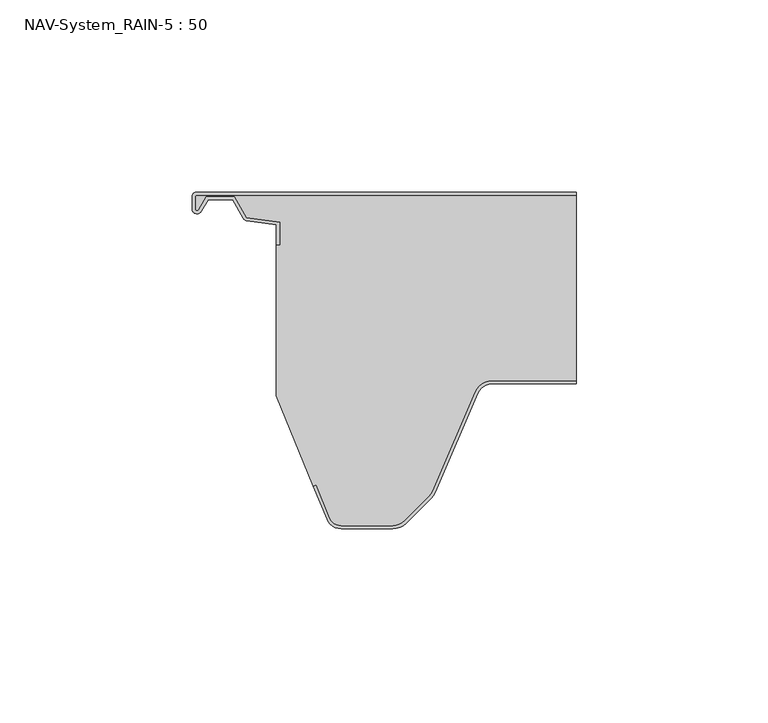
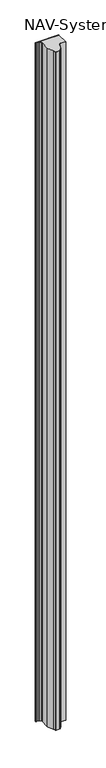
"""IFC4 building model written with IfcOpenShell, lengths in millimetres: plate geometry, NAV-System_RAIN-5 : 50."""

import ifcopenshell
import ifcopenshell.guid

model = None  # the IFC model being written
_history = None  # IfcOwnerHistory: only IFC2X3 demands one
_inside = {}  # id of a spatial element -> (the spatial element, [elements in it])
_under = {}  # id of a project, library or spatial element -> (it, [spatial elements below it])
_declared = {}  # id of a project -> (the project, [libraries it declares])
_typed = {}  # id of a type object -> (the type object, [elements of that type])
_made_of = {}  # id of a material, layer set ... -> (it, [elements and type objects made of it])


def new_model(schema):
    """Start an empty IFC model of exactly this schema.

    Asked for "IFC4X3", IfcOpenShell would pick the latest addendum, in which some entities
    have other attributes; the version numbers below select the first issue.
    IFC2X3 requires an IfcOwnerHistory on every rooted entity: one is made here for all.
    """
    global model, _history
    if schema == "IFC4X3":
        model = ifcopenshell.file(schema_version=(4, 3, 0, 0))
    else:
        model = ifcopenshell.file(schema=schema)
    _inside.clear()
    _under.clear()
    _declared.clear()
    _typed.clear()
    _made_of.clear()
    _history = None
    if model.schema == "IFC2X3":
        org = make("IfcOrganization", Name="unknown")
        user = make(
            "IfcPersonAndOrganization",
            ThePerson=make("IfcPerson", FamilyName="unknown"),
            TheOrganization=org,
        )
        app = make(
            "IfcApplication",
            ApplicationDeveloper=org,
            Version="unknown",
            ApplicationFullName="unknown",
            ApplicationIdentifier="unknown",
        )
        _history = make(
            "IfcOwnerHistory",
            OwningUser=user,
            OwningApplication=app,
            ChangeAction="ADDED",
            CreationDate=0,
        )
    return model


def make(cls, **values):
    """One entity of the class cls with the attributes given. An attribute that is None is left unset."""
    return model.create_entity(
        cls, **{name: value for name, value in values.items() if value is not None}
    )


def rooted(cls, **values):
    """An entity with a GlobalId (a new one), such as an element, a storey or a relation."""
    return make(cls, GlobalId=ifcopenshell.guid.new(), OwnerHistory=_history, **values)


def si_unit(unit_type, name, prefix=None):
    """IfcSIUnit, for example si_unit("LENGTHUNIT", "METRE", prefix="MILLI")."""
    return make("IfcSIUnit", UnitType=unit_type, Prefix=prefix, Name=name)


def assignment(units):
    """IfcUnitAssignment: the units of a project."""
    return None if units is None else make("IfcUnitAssignment", Units=units)


def point(xyz):
    """IfcCartesianPoint."""
    return None if xyz is None else make("IfcCartesianPoint", Coordinates=xyz)


def direction(xyz):
    """IfcDirection."""
    return None if xyz is None else make("IfcDirection", DirectionRatios=xyz)


def frame(location, z_axis=None, x_axis=None):
    """IfcAxis2Placement3D, a coordinate frame: its origin and axes. An axis left out is left unset."""
    return make(
        "IfcAxis2Placement3D",
        Location=point(location),
        Axis=direction(z_axis),
        RefDirection=direction(x_axis),
    )


def frame_2d(location, x_axis=None):
    """IfcAxis2Placement2D, a coordinate frame in the plane: its origin and x axis."""
    return make(
        "IfcAxis2Placement2D", Location=point(location), RefDirection=direction(x_axis)
    )


def origin():
    """The frame at (0, 0, 0) with its axes left unset."""
    return frame((0.0, 0.0, 0.0))


def origin_with_axes():
    """The frame at (0, 0, 0) with the z axis (0, 0, 1) and the x axis (1, 0, 0) written out."""
    return frame((0.0, 0.0, 0.0), z_axis=(0.0, 0.0, 1.0), x_axis=(1.0, 0.0, 0.0))


def place(relative_to, where):
    """IfcLocalPlacement: puts the frame where relative to a parent placement (None: the world)."""
    return make(
        "IfcLocalPlacement", PlacementRelTo=relative_to, RelativePlacement=where
    )


def context(
    kind, dimensions, precision=None, world=None, true_north=None, identifier=None
):
    """IfcGeometricRepresentationContext, for example the 3D "Model" context."""
    return make(
        "IfcGeometricRepresentationContext",
        ContextIdentifier=identifier,
        ContextType=kind,
        CoordinateSpaceDimension=dimensions,
        Precision=precision,
        WorldCoordinateSystem=world,
        TrueNorth=true_north,
    )


def project(units=None, contexts=None):
    """IfcProject with its units and contexts."""
    return rooted(
        "IfcProject",
        Name="project",
        RepresentationContexts=contexts,
        UnitsInContext=assignment(units),
    )


def spatial(cls, under=None, at=None, **own):
    """A site, building, storey or space (cls), placed at a placement, below another one or the project."""
    s = rooted(cls, ObjectPlacement=at, **own)
    if under is not None:
        _under.setdefault(under.id(), (under, []))[1].append(s)
    return s


def polyline(points):
    """IfcPolyline through the points."""
    return make("IfcPolyline", Points=[point(p) for p in points])


def circle_curve(where, radius):
    """IfcCircle in the frame where."""
    return make("IfcCircle", Position=where, Radius=radius)


def trimmed(basis, trim1, trim2, sense, master):
    """IfcTrimmedCurve: the piece of a basis curve between two trims."""
    return make(
        "IfcTrimmedCurve",
        BasisCurve=basis,
        Trim1=trim1,
        Trim2=trim2,
        SenseAgreement=sense,
        MasterRepresentation=master,
    )


def segment(curve, same_sense, transition):
    """IfcCompositeCurveSegment."""
    return make(
        "IfcCompositeCurveSegment",
        Transition=transition,
        SameSense=same_sense,
        ParentCurve=curve,
    )


def composite_curve(segments, self_intersect=None):
    """IfcCompositeCurve: segments joined end to end."""
    return make("IfcCompositeCurve", Segments=segments, SelfIntersect=self_intersect)


def outline(outer, holes=None, kind="AREA"):
    """IfcArbitraryClosedProfileDef: a profile drawn as a closed curve; with holes, ...WithVoids."""
    if holes is None:
        return make("IfcArbitraryClosedProfileDef", ProfileType=kind, OuterCurve=outer)
    return make(
        "IfcArbitraryProfileDefWithVoids",
        ProfileType=kind,
        OuterCurve=outer,
        InnerCurves=holes,
    )


def extrude(swept, where, along, depth):
    """IfcExtrudedAreaSolid: the profile swept, set in the frame where, extruded along a direction by depth."""
    return make(
        "IfcExtrudedAreaSolid",
        SweptArea=swept,
        Position=where,
        ExtrudedDirection=direction(along),
        Depth=depth,
    )


def shape(context_of_items, identifier, shape_type, items):
    """IfcShapeRepresentation: the items that make up one representation, for example the "Body"."""
    return make(
        "IfcShapeRepresentation",
        ContextOfItems=context_of_items,
        RepresentationIdentifier=identifier,
        RepresentationType=shape_type,
        Items=items,
    )


def source(mapping_origin, context_of_items, identifier, shape_type, items):
    """IfcRepresentationMap: a shape defined once, which mapped items show again and again."""
    return make(
        "IfcRepresentationMap",
        MappingOrigin=mapping_origin,
        MappedRepresentation=shape(context_of_items, identifier, shape_type, items),
    )


def transform(
    local_origin,
    x_axis=None,
    y_axis=None,
    z_axis=None,
    scale=None,
    scale2=None,
    scale3=None,
    uniform=True,
):
    """IfcCartesianTransformationOperator3D, or its non-uniform kind. x_axis, y_axis, z_axis: its Axis1, 2, 3."""
    if uniform:
        return make(
            "IfcCartesianTransformationOperator3D",
            Axis1=direction(x_axis),
            Axis2=direction(y_axis),
            LocalOrigin=point(local_origin),
            Scale=scale,
            Axis3=direction(z_axis),
        )
    return make(
        "IfcCartesianTransformationOperator3DnonUniform",
        Axis1=direction(x_axis),
        Axis2=direction(y_axis),
        LocalOrigin=point(local_origin),
        Scale=scale,
        Axis3=direction(z_axis),
        Scale2=scale2,
        Scale3=scale3,
    )


def mapped(mapping_source, mapping_target):
    """IfcMappedItem: shows the shape of a source again, moved by a transform."""
    return make(
        "IfcMappedItem", MappingSource=mapping_source, MappingTarget=mapping_target
    )


def made_of(thing, what):
    """Note that an element or type object is made of a material, layer set ...; save() writes the relation."""
    if what is not None:
        _made_of.setdefault(what.id(), (what, []))[1].append(thing)
    return thing


def element(
    cls,
    number,
    at=None,
    inside=None,
    cuts=None,
    type_object=None,
    material=None,
    context=None,
    identifier="Body",
    shape_type=None,
    held_by="IfcProductDefinitionShape",
    body=None,
    shapes=None,
    **own,
):
    """One element of the class cls, such as IfcWall. Its Tag is "e" and its number.

    at: its placement. inside: the storey or other place that contains it. cuts: it is an
    opening in that element (IfcRelVoidsElement). A single representation is given by context,
    identifier, shape_type and body (its items); several are given by shapes. held_by: the class
    of the entity that holds the representations. save() writes the other relations.
    """
    e = rooted(cls, Tag="e%d" % number, ObjectPlacement=at, **own)
    if body is not None:
        shapes = [shape(context, identifier, shape_type, body)]
    if shapes is not None:
        e.Representation = make(held_by, Representations=shapes)
    if inside is not None:
        _inside.setdefault(inside.id(), (inside, []))[1].append(e)
    if cuts is not None:
        rooted(
            "IfcRelVoidsElement", RelatingBuildingElement=cuts, RelatedOpeningElement=e
        )
    if type_object is not None:
        _typed.setdefault(type_object.id(), (type_object, []))[1].append(e)
    return made_of(e, material)


def aggregate(whole, parts):
    """IfcRelAggregates: a whole, such as a stair, and the parts it consists of."""
    return rooted("IfcRelAggregates", RelatingObject=whole, RelatedObjects=parts)


def save(model, path):
    """Write the relations noted so far, then the file.

    IfcRelAggregates (storeys below a building ...), IfcRelContainedInSpatialStructure (elements
    in a storey), IfcRelDefinesByType, IfcRelAssociatesMaterial and IfcRelDeclares: one each for
    every whole, place, type object, material and project.
    """
    for whole, parts in _under.values():
        aggregate(whole, parts)
    for where, things in _inside.values():
        rooted(
            "IfcRelContainedInSpatialStructure",
            RelatedElements=things,
            RelatingStructure=where,
        )
    for kind, things in _typed.values():
        rooted("IfcRelDefinesByType", RelatedObjects=things, RelatingType=kind)
    for what, things in _made_of.values():
        rooted("IfcRelAssociatesMaterial", RelatedObjects=things, RelatingMaterial=what)
    for by, libraries in _declared.values():
        rooted("IfcRelDeclares", RelatingContext=by, RelatedDefinitions=libraries)
    model.write(path)


def nav_system_rain_5_50_ac8a8041(model_context):
    return source(origin(), model_context, "Body", "SweptSolid", [
        extrude(outline(composite_curve([segment(trimmed(circle_curve(frame_2d((-48.7, -1.3)), 0.5), [point((-48.7, -0.8))], [point((-49.2, -1.3))], True, "CARTESIAN"), True, "CONTINUOUS"), segment(polyline([(-49.2, -1.3), (-49.2, -4.3700191)]), True, "CONTINUOUS"), segment(trimmed(circle_curve(frame_2d((-48.7, -4.3700191)), 0.5), [point((-49.2, -4.3700191))], [point((-48.2669873, -4.6200191))], True, "CARTESIAN"), True, "CONTINUOUS"), segment(polyline([(-48.2669873, -4.6200191), (-46.2924383, -1.2), (-38.9841833, -1.2), (-35.8164586, -6.6866602), (-27.2, -7.898332), (-27.2, -13.6767555), (-28.0, -13.6767555), (-28.0, -8.5937048), (-35.6863953, -7.5128213)]), True, "CONTINUOUS"), segment(trimmed(circle_curve(frame_2d((-35.5053666, -6.2254873)), 1.3), [point((-35.6863953, -7.5128213))], [point((-36.6311996, -6.8754873))], False, "CARTESIAN"), True, "CONTINUOUS"), segment(polyline([(-36.6311996, -6.8754873), (-39.4460636, -2.0), (-45.8305581, -2.0), (-47.574167, -5.0200191)]), True, "CONTINUOUS"), segment(trimmed(circle_curve(frame_2d((-48.7, -4.3700191)), 1.3), [point((-47.574167, -5.0200191))], [point((-50.0, -4.3700191))], False, "CARTESIAN"), True, "CONTINUOUS"), segment(polyline([(-50.0, -4.3700191), (-50.0, -1.3)]), True, "CONTINUOUS"), segment(trimmed(circle_curve(frame_2d((-48.7, -1.3)), 1.3), [point((-50.0, -1.3))], [point((-48.7, 0.0))], False, "CARTESIAN"), True, "CONTINUOUS"), segment(polyline([(-48.7, 0.0), (50.0, 0.0), (50.0, -0.8), (-48.7, -0.8)]), True, "CONTINUOUS")], self_intersect=False)), origin_with_axes(), (0.0, 0.0, 1.0), 3000.0),
        extrude(outline(composite_curve([segment(trimmed(circle_curve(frame_2d((28.0709249, -54.0)), 4.8), [point((28.0709249, -49.2))], [point((23.6607271, -52.1052295))], True, "CARTESIAN"), True, "CONTINUOUS"), segment(polyline([(23.6607271, -52.1052295), (12.5754349, -77.9069459)]), True, "CONTINUOUS"), segment(trimmed(circle_curve(frame_2d((8.7165118, -76.2490217)), 4.2), [point((12.5754349, -77.9069459))], [point((11.6863603, -79.2188701))], False, "CARTESIAN"), True, "CONTINUOUS"), segment(polyline([(11.6863603, -79.2188701), (5.235382, -85.6698485)]), True, "CONTINUOUS"), segment(trimmed(circle_curve(frame_2d((2.2655335, -82.7)), 4.2), [point((5.235382, -85.6698485))], [point((2.2655335, -86.9))], False, "CARTESIAN"), True, "CONTINUOUS"), segment(polyline([(2.2655335, -86.9), (-11.1405186, -86.9)]), True, "CONTINUOUS"), segment(trimmed(circle_curve(frame_2d((-11.1405186, -83.7)), 3.2), [point((-11.1405186, -86.9))], [point((-14.1022482, -84.9116756))], False, "CARTESIAN"), True, "CONTINUOUS"), segment(polyline([(-14.1022482, -84.9116756), (-17.6292254, -76.2905951), (-18.3696578, -76.593514), (-28.0, -53.053822), (-28.0, -13.6767555), (-27.2, -13.6767555), (-27.2, -7.898332), (-35.8164586, -6.6866602), (-38.9841833, -1.2), (-46.2924383, -1.2), (-48.2669873, -4.6200191)]), True, "CONTINUOUS"), segment(trimmed(circle_curve(frame_2d((-48.7, -4.3700191)), 0.5), [point((-48.2669873, -4.6200191))], [point((-49.2, -4.3700191))], False, "CARTESIAN"), True, "CONTINUOUS"), segment(polyline([(-49.2, -4.3700191), (-49.2, -1.3)]), True, "CONTINUOUS"), segment(trimmed(circle_curve(frame_2d((-48.7, -1.3)), 0.5), [point((-49.2, -1.3))], [point((-48.7, -0.8))], False, "CARTESIAN"), True, "CONTINUOUS"), segment(polyline([(-48.7, -0.8), (50.0, -0.8), (50.0, -49.2), (28.0709249, -49.2)]), True, "CONTINUOUS")], self_intersect=False)), origin_with_axes(), (0.0, 0.0, 1.0), 3000.0),
        extrude(outline(composite_curve([segment(polyline([(-14.8430228, -85.2145945), (-18.37, -76.593514), (-17.6295676, -76.2905951), (-14.1025904, -84.9116756)]), True, "CONTINUOUS"), segment(trimmed(circle_curve(frame_2d((-11.1408608, -83.7)), 3.2), [point((-14.1025904, -84.9116756))], [point((-11.1408608, -86.9))], True, "CARTESIAN"), True, "CONTINUOUS"), segment(polyline([(-11.1408608, -86.9), (2.2651913, -86.9)]), True, "CONTINUOUS"), segment(trimmed(circle_curve(frame_2d((2.2651913, -82.7)), 4.2), [point((2.2651913, -86.9))], [point((5.2350397, -85.6698485))], True, "CARTESIAN"), True, "CONTINUOUS"), segment(polyline([(5.2350397, -85.6698485), (11.6860181, -79.2188701)]), True, "CONTINUOUS"), segment(trimmed(circle_curve(frame_2d((8.7161696, -76.2490217)), 4.2), [point((11.6860181, -79.2188701))], [point((12.5750927, -77.9069459))], True, "CARTESIAN"), True, "CONTINUOUS"), segment(polyline([(12.5750927, -77.9069459), (23.6603849, -52.1052295)]), True, "CONTINUOUS"), segment(trimmed(circle_curve(frame_2d((28.0705827, -54.0)), 4.8), [point((23.6603849, -52.1052295))], [point((28.0705827, -49.2))], False, "CARTESIAN"), True, "CONTINUOUS"), segment(polyline([(28.0705827, -49.2), (50.0, -49.2), (50.0, -50.0), (28.0705827, -50.0)]), True, "CONTINUOUS"), segment(trimmed(circle_curve(frame_2d((28.0705827, -54.0)), 4.0), [point((28.0705827, -50.0))], [point((24.3954178, -52.4210246))], True, "CARTESIAN"), True, "CONTINUOUS"), segment(polyline([(24.3954178, -52.4210246), (13.3101256, -78.2227409)]), True, "CONTINUOUS"), segment(trimmed(circle_curve(frame_2d((8.7161696, -76.2490217)), 5.0), [point((13.3101256, -78.2227409))], [point((12.2517035, -79.7845556))], False, "CARTESIAN"), True, "CONTINUOUS"), segment(polyline([(12.2517035, -79.7845556), (5.8007252, -86.2355339)]), True, "CONTINUOUS"), segment(trimmed(circle_curve(frame_2d((2.2651913, -82.7)), 5.0), [point((5.8007252, -86.2355339))], [point((2.2651913, -87.7))], False, "CARTESIAN"), True, "CONTINUOUS"), segment(polyline([(2.2651913, -87.7), (-11.1408608, -87.7)]), True, "CONTINUOUS"), segment(trimmed(circle_curve(frame_2d((-11.1408608, -83.7)), 4.0), [point((-11.1408608, -87.7))], [point((-14.8430228, -85.2145945))], False, "CARTESIAN"), True, "CONTINUOUS")], self_intersect=False)), origin_with_axes(), (0.0, 0.0, 1.0), 3000.0),
    ])


if __name__ == "__main__":
    model = new_model("IFC4")
    model_context = context("Model", 3, world=origin())
    ifc_project = project(units=[si_unit("LENGTHUNIT", "METRE", prefix="MILLI")], contexts=[model_context])
    site = spatial("IfcSite", under=ifc_project)
    building = spatial("IfcBuilding", under=site)
    placement = place(None, origin())
    nav_system_rain_5_50_shape = nav_system_rain_5_50_ac8a8041(model_context)
    element("IfcPlate", 1, ObjectType="NAV-System_RAIN-5 : 50", at=placement, inside=building, context=model_context, shape_type="MappedRepresentation", body=[
        mapped(nav_system_rain_5_50_shape, transform((0.0, 0.0, 0.0), x_axis=(1.0, 0.0, 0.0), y_axis=(0.0, 1.0, 0.0), z_axis=(0.0, 0.0, 1.0))),
    ])
    save(model, "model.ifc")
